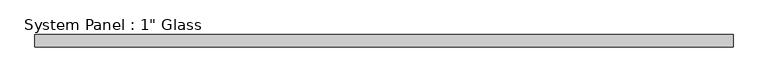
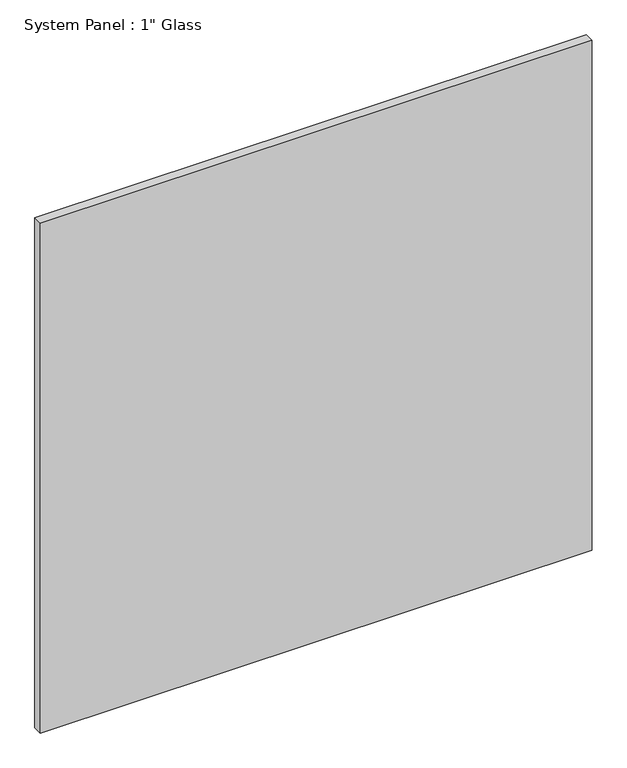
"""IFC4 building model written with IfcOpenShell, lengths in millimetres: plate geometry."""

from ifc_helpers import new_model, si_unit, origin, origin_with_axes, place, context, project, spatial, polyline, outline, extrude, source, transform, mapped, element, save


def plate_2514ac2b(model_context):
    return source(origin(), model_context, "Body", "SweptSolid", [
        extrude(outline(polyline([(729.2430865, -10.31875), (-729.2430865, -10.31875), (-729.2430865, 15.08125), (729.2430865, 15.08125), (729.2430865, -10.31875)])), origin_with_axes(), (0.0, 0.0, 1.0), 1424.9417704),
    ])


if __name__ == "__main__":
    model = new_model("IFC4")
    model_context = context("Model", 3, world=origin())
    ifc_project = project(units=[si_unit("LENGTHUNIT", "METRE", prefix="MILLI")], contexts=[model_context])
    site = spatial("IfcSite", under=ifc_project)
    building = spatial("IfcBuilding", under=site)
    placement = place(None, origin())
    plate_shape = plate_2514ac2b(model_context)
    element("IfcPlate", 1, ObjectType="System Panel : 1\" Glass", at=placement, inside=building, context=model_context, shape_type="MappedRepresentation", body=[
        mapped(plate_shape, transform((0.0, 0.0, 0.0), x_axis=(1.0, 0.0, 0.0), y_axis=(0.0, 1.0, 0.0), z_axis=(0.0, 0.0, 1.0))),
    ])
    save(model, "model.ifc")
